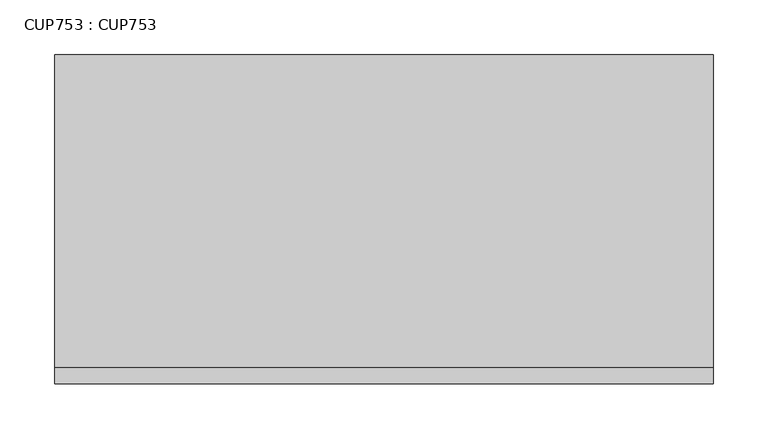
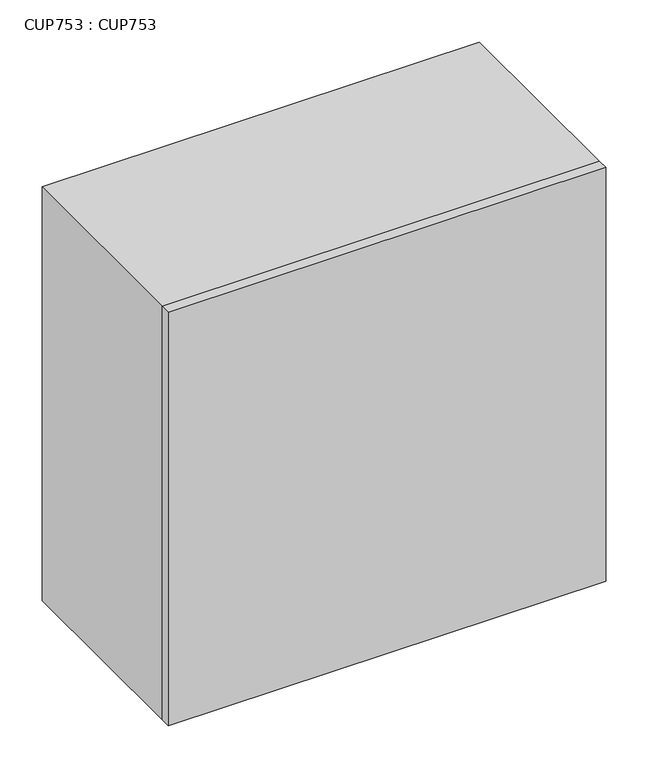
"""IFC4 building model written with IfcOpenShell, lengths in millimetres: proxy geometry, CUP753 : CUP753."""

from ifc_helpers import new_model, si_unit, origin, origin_with_axes, place, context, project, spatial, polyline, outline, extrude, source, transform, mapped, element, save


def cup753_cup753_bbd3099c(model_context):
    return source(origin(), model_context, "Body", "SweptSolid", [
        extrude(outline(polyline([(600.0000046, -284.9999913), (600.0000046, -300.0000023), (0.0, -300.0000023), (0.0, -284.9999913), (600.0000046, -284.9999913)])), origin_with_axes(), (0.0, 0.0, 1.0), 600.0000046),
        extrude(outline(polyline([(600.0000046, 0.0), (600.0000046, -284.9999913), (0.0, -284.9999913), (0.0, 0.0), (600.0000046, 0.0)])), origin_with_axes(), (0.0, 0.0, 1.0), 600.0000046),
    ])


if __name__ == "__main__":
    model = new_model("IFC4")
    model_context = context("Model", 3, world=origin())
    ifc_project = project(units=[si_unit("LENGTHUNIT", "METRE", prefix="MILLI")], contexts=[model_context])
    site = spatial("IfcSite", under=ifc_project)
    building = spatial("IfcBuilding", under=site)
    placement = place(None, origin())
    cup753_cup753_shape = cup753_cup753_bbd3099c(model_context)
    element("IfcBuildingElementProxy", 1, Name="CUP753 : CUP753", ObjectType="CUP753 : CUP753", at=placement, inside=building, context=model_context, shape_type="MappedRepresentation", body=[
        mapped(cup753_cup753_shape, transform((0.0, 0.0, 0.0), x_axis=(1.0, 0.0, 0.0), y_axis=(0.0, 1.0, 0.0), z_axis=(0.0, 0.0, 1.0))),
    ])
    save(model, "model.ifc")
